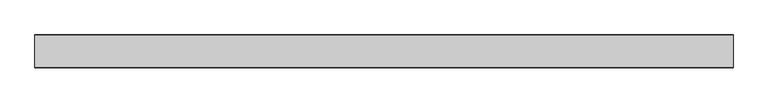
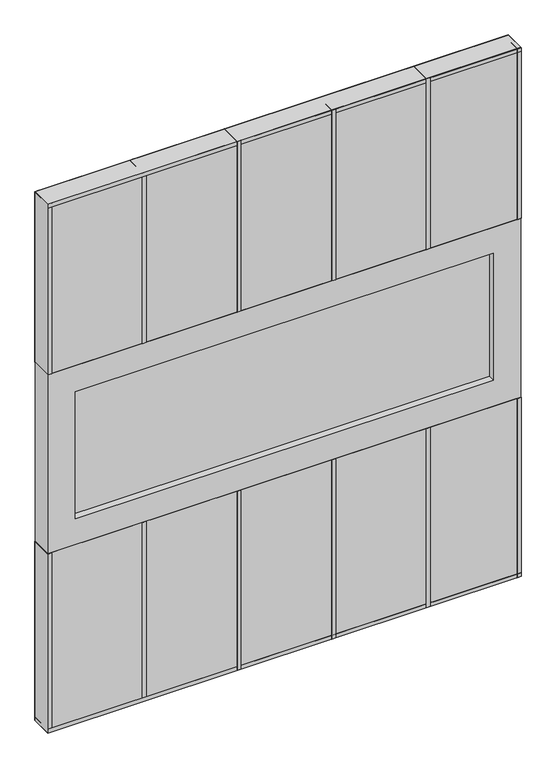
"""IFC4 building model written with IfcOpenShell, lengths in millimetres: plate geometry."""

from ifc_helpers import new_model, si_unit, frame, origin, origin_with_axes, place, context, project, spatial, polyline, outline, extrude, source, transform, mapped, element, save


def plate_bdf89c03(model_context):
    return source(origin(), model_context, "Body", "SweptSolid", [
        extrude(outline(polyline([(762.0, 34.925), (762.0, -34.925), (-762.0, -34.925), (-762.0, 34.925), (762.0, 34.925)])), origin_with_axes(), (0.0, 0.0, 1.0), 609.6),
        extrude(outline(polyline([(-673.1, 12.7), (673.1, 12.7), (673.1, -12.7), (-673.1, -12.7), (-673.1, 12.7)])), frame((0.0, 0.0, 698.5), z_axis=(0.0, 0.0, 1.0), x_axis=(1.0, 0.0, 0.0)), (0.0, 0.0, 1.0), 431.8),
        extrude(outline(polyline([(1219.2, -762.0), (609.6, -762.0), (609.6, 762.0), (1219.2, 762.0), (1219.2, -762.0)]), holes=[polyline([(1130.3, 673.1), (698.5, 673.1), (698.5, -673.1), (1130.3, -673.1), (1130.3, 673.1)])]), frame((0.0, -34.925, 0.0), z_axis=(0.0, 1.0, 0.0), x_axis=(0.0, 0.0, 1.0)), (0.0, 0.0, 1.0), 69.85),
        extrude(outline(polyline([(762.0, 34.925), (762.0, -34.925), (-762.0, -34.925), (-762.0, 34.925), (762.0, 34.925)])), frame((0.0, 0.0, 1219.2), z_axis=(0.0, 0.0, 1.0), x_axis=(1.0, 0.0, 0.0)), (0.0, 0.0, 1.0), 580.6),
        extrude(outline(polyline([(469.9, 35.71875), (469.9, -35.71875), (457.2, -35.71875), (457.2, 35.71875), (469.9, 35.71875)])), origin_with_axes(), (0.0, 0.0, 1.0), 609.6),
        extrude(outline(polyline([(165.1, 35.71875), (165.1, -35.71875), (152.4, -35.71875), (152.4, 35.71875), (165.1, 35.71875)])), origin_with_axes(), (0.0, 0.0, 1.0), 609.6),
        extrude(outline(polyline([(469.9, 35.71875), (469.9, -35.71875), (457.2, -35.71875), (457.2, 35.71875), (469.9, 35.71875)])), frame((0.0, 0.0, 1219.2), z_axis=(0.0, 0.0, 1.0), x_axis=(1.0, 0.0, 0.0)), (0.0, 0.0, 1.0), 580.6),
        extrude(outline(polyline([(165.1, 35.71875), (165.1, -35.71875), (152.4, -35.71875), (152.4, 35.71875), (165.1, 35.71875)])), frame((0.0, 0.0, 1219.2), z_axis=(0.0, 0.0, 1.0), x_axis=(1.0, 0.0, 0.0)), (0.0, 0.0, 1.0), 580.6),
        extrude(outline(polyline([(-139.7, 35.71875), (-139.7, -35.71875), (-152.4, -35.71875), (-152.4, 35.71875), (-139.7, 35.71875)])), origin_with_axes(), (0.0, 0.0, 1.0), 609.6),
        extrude(outline(polyline([(-139.7, 35.71875), (-139.7, -35.71875), (-152.4, -35.71875), (-152.4, 35.71875), (-139.7, 35.71875)])), frame((0.0, 0.0, 1219.2), z_axis=(0.0, 0.0, 1.0), x_axis=(1.0, 0.0, 0.0)), (0.0, 0.0, 1.0), 580.6),
        extrude(outline(polyline([(762.0, 35.71875), (762.0, -35.71875), (-762.0, -35.71875), (-762.0, 35.71875), (762.0, 35.71875)])), origin_with_axes(), (0.0, 0.0, 1.0), 12.7),
        extrude(outline(polyline([(-444.5, 35.71875), (-444.5, -35.71875), (-457.2, -35.71875), (-457.2, 35.71875), (-444.5, 35.71875)])), origin_with_axes(), (0.0, 0.0, 1.0), 609.6),
        extrude(outline(polyline([(749.3, 35.71875), (762.0, 35.71875), (762.0, -35.71875), (749.3, -35.71875), (749.3, 35.71875)])), origin_with_axes(), (0.0, 0.0, 1.0), 609.6),
        extrude(outline(polyline([(-749.3, 35.71875), (-749.3, -35.71875), (-762.0, -35.71875), (-762.0, 35.71875), (-749.3, 35.71875)])), origin_with_axes(), (0.0, 0.0, 1.0), 609.6),
        extrude(outline(polyline([(762.0, 35.71875), (762.0, -35.71875), (-762.0, -35.71875), (-762.0, 35.71875), (762.0, 35.71875)])), frame((0.0, 0.0, 1787.1), z_axis=(0.0, 0.0, 1.0), x_axis=(1.0, 0.0, 0.0)), (0.0, 0.0, 1.0), 12.7),
        extrude(outline(polyline([(-444.5, 35.71875), (-444.5, -35.71875), (-457.2, -35.71875), (-457.2, 35.71875), (-444.5, 35.71875)])), frame((0.0, 0.0, 1219.2), z_axis=(0.0, 0.0, 1.0), x_axis=(1.0, 0.0, 0.0)), (0.0, 0.0, 1.0), 580.6),
        extrude(outline(polyline([(762.0, 35.71875), (762.0, -35.71875), (749.3, -35.71875), (749.3, 35.71875), (762.0, 35.71875)])), frame((0.0, 0.0, 1219.2), z_axis=(0.0, 0.0, 1.0), x_axis=(1.0, 0.0, 0.0)), (0.0, 0.0, 1.0), 580.6),
        extrude(outline(polyline([(-749.3, 35.71875), (-749.3, -35.71875), (-762.0, -35.71875), (-762.0, 35.71875), (-749.3, 35.71875)])), frame((0.0, 0.0, 1219.2), z_axis=(0.0, 0.0, 1.0), x_axis=(1.0, 0.0, 0.0)), (0.0, 0.0, 1.0), 580.6),
    ])


if __name__ == "__main__":
    model = new_model("IFC4")
    model_context = context("Model", 3, world=origin())
    ifc_project = project(units=[si_unit("LENGTHUNIT", "METRE", prefix="MILLI")], contexts=[model_context])
    site = spatial("IfcSite", under=ifc_project)
    building = spatial("IfcBuilding", under=site)
    placement = place(None, origin())
    plate_shape = plate_bdf89c03(model_context)
    element("IfcPlate", 1, at=placement, inside=building, context=model_context, shape_type="MappedRepresentation", body=[
        mapped(plate_shape, transform((0.0, 0.0, 0.0), x_axis=(1.0, 0.0, 0.0), y_axis=(0.0, 1.0, 0.0), z_axis=(0.0, 0.0, 1.0))),
    ])
    save(model, "model.ifc")
